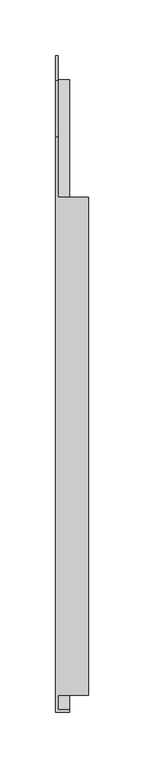
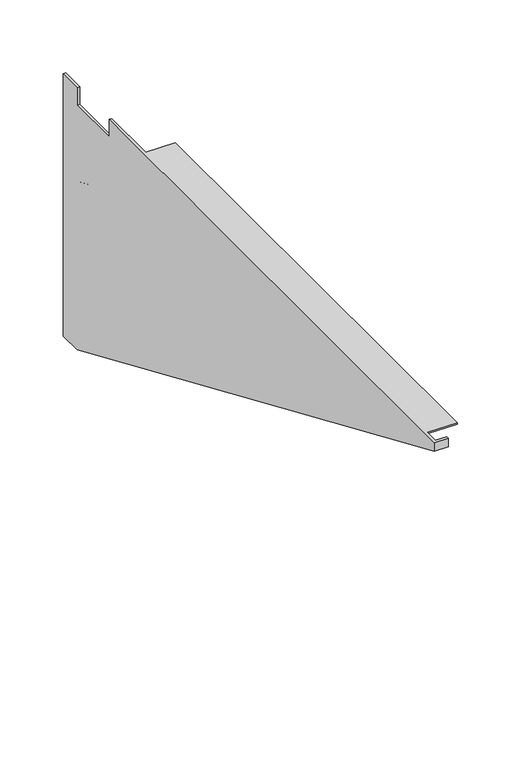
"""IFC4 building model written with IfcOpenShell, lengths in millimetres: furniture geometry."""

from ifc_helpers import new_model, si_unit, origin, place, context, project, spatial, faceted_brep, source, transform, mapped, element, save


def furniture_57008228(model_context):
    return source(origin(), model_context, "Body", "Brep", [
        faceted_brep([(23.1139999, 211.9808613, 706.4121), (-4.07162, 211.9808613, 706.4121), (-4.07162, 265.9558598, 706.4121), (-6.3539688, 265.9558598, 706.4121), (-6.3539688, -250.0807006, 706.4121), (6.3460312, -250.0807006, 706.4121), (6.3460312, -247.8023206, 706.4121), (-4.07162, -247.8023206, 706.4121), (-4.07162, -235.0589776, 706.4121), (23.1139999, -235.0589776, 706.4121), (23.1139999, -235.0589776, 704.8881015), (-4.07162, -235.0589776, 704.8881015), (-4.07162, 211.9808613, 704.8881015), (23.1139999, 211.9808613, 704.8881015), (-6.35, 265.9558598, 689.4456937), (-6.35, 316.7558601, 689.4456937), (-6.35, 316.7558601, 706.4121), (-6.35, 338.9808594, 706.4121), (-6.35, 338.9808594, 452.4121), (-6.35, 316.7558601, 452.4121), (-6.35, -250.0807006, 697.8209238), (-4.07162, -247.8023206, 699.3172569), (-4.07162, 317.6610766, 454.5029368), (-4.07162, 316.7558601, 452.4121), (-4.07162, 338.9808594, 452.4121), (-4.07162, 338.9808594, 706.4121), (-4.07162, 316.7558601, 706.4121), (-4.07162, 316.7558601, 689.4456937), (-4.07162, 265.9558598, 689.4456937), (6.3460312, -247.8023206, 699.3172569), (6.3460312, 317.6610766, 454.5029368), (6.3460312, -250.0807006, 697.8209238), (6.3460312, 316.7558601, 452.4121)], [[[0, 1, 2, 3, 4, 5, 6, 7, 8, 9]], [[10, 11, 12, 13]], [[13, 12, 1, 0]], [[9, 10, 13, 0]], [[9, 8, 11, 10]], [[3, 14, 15, 16, 17, 18, 19, 20, 4]], [[2, 1, 12, 11, 8, 7, 21, 22, 23, 24, 25, 26, 27, 28]], [[28, 14, 3, 2]], [[27, 15, 14, 28]], [[26, 16, 15, 27]], [[25, 17, 16, 26]], [[24, 18, 17, 25]], [[23, 19, 18, 24]], [[29, 30, 22, 21]], [[6, 29, 21, 7]], [[31, 20, 19, 23, 32]], [[4, 20, 31, 5]], [[23, 22, 30, 32]], [[5, 31, 32, 30, 29, 6]]]),
        faceted_brep([(-4.07162, 265.9558598, 706.4121), (-4.07162, 211.9808613, 706.4121), (-4.07162, 211.9808613, 704.8881015), (-4.07162, -235.0589776, 704.8881015), (-4.07162, -235.0589776, 706.4121), (-4.07162, -247.8023206, 706.4121), (-4.07162, -247.8023206, 699.3172569), (-4.07162, 317.6610766, 454.5029368), (-4.07162, 316.7558601, 452.4121), (-4.07162, 338.9808594, 452.4121), (-4.07162, 338.9808594, 706.4121), (-4.07162, 316.7558601, 706.4121), (-4.07162, 316.7558601, 689.4456937), (-4.07162, 265.9558598, 689.4456937), (-4.07162, 316.7558601, 501.1246491), (-4.07162, 316.7558601, 488.9326491), (-4.07162, -146.382029, 689.4456937), (-4.07162, -118.2213816, 689.4456937), (-4.07162, 316.7558601, 564.6273317), (-4.07162, 316.7558601, 552.4353317), (-4.07162, 0.2942056, 689.4456937), (-4.07162, 28.454853, 689.4456937), (-4.07162, 316.7558601, 628.1300143), (-4.07162, 316.7558601, 615.9380143), (-4.07162, 146.9704402, 689.4456937), (-4.07162, 175.1310876, 689.4456937), (-6.3539688, -250.0807006, 706.4121), (-6.3539688, 265.9558598, 706.4121), (-6.3539688, 265.9558598, 689.4456937), (-6.3539688, 316.7558601, 689.4456937), (-6.3539688, 316.7558601, 706.4121), (-6.3539688, 338.9808594, 706.4121), (-6.3539688, 338.9808594, 452.4121), (-6.3539688, 316.7558601, 452.4121), (-6.3539688, -250.0807006, 697.8209238), (-6.3539688, -118.2213816, 689.4456937), (-6.3539688, -146.382029, 689.4456937), (-6.3539688, 316.7558601, 488.9326491), (-6.3539688, 316.7558601, 501.1246491), (-6.3539688, 28.454853, 689.4456937), (-6.3539688, 0.2942056, 689.4456937), (-6.3539688, 316.7558601, 552.4353317), (-6.3539688, 316.7558601, 564.6273317), (-6.3539688, 175.1310876, 689.4456937), (-6.3539688, 146.9704402, 689.4456937), (-6.3539688, 316.7558601, 615.9380143), (-6.3539688, 316.7558601, 628.1300143), (6.3460312, 316.7558601, 452.4121), (6.3460312, -250.0807006, 697.8209238), (6.3460312, -250.0807006, 706.4121), (6.3460312, -247.8023206, 706.4121), (23.1139999, -235.0589776, 706.4121), (23.1139999, 211.9808613, 706.4121), (23.1139999, -235.0589776, 704.8881015), (23.1139999, 211.9808613, 704.8881015), (6.3460312, -247.8023206, 699.3172569), (6.3460312, 317.6610766, 454.5029368), (-4.86537, -118.2213816, 689.4456937), (-4.86537, -146.382029, 689.4456937), (-4.86537, 316.7558601, 488.9326491), (-4.86537, 316.7558601, 501.1246491), (-4.86537, 28.454853, 689.4456937), (-4.86537, 0.2942056, 689.4456937), (-4.86537, 316.7558601, 552.4353317), (-4.86537, 316.7558601, 564.6273317), (-4.86537, 175.1310876, 689.4456937), (-4.86537, 146.9704402, 689.4456937), (-4.86537, 316.7558601, 615.9380143), (-4.86537, 316.7558601, 628.1300143), (-5.55625, -118.2213816, 689.4456937), (-5.55625, 316.7558601, 501.1246491), (-5.55625, 316.7558601, 488.9326491), (-5.55625, -146.382029, 689.4456937), (-5.55625, 28.454853, 689.4456937), (-5.55625, 316.7558601, 564.6273317), (-5.55625, 316.7558601, 552.4353317), (-5.55625, 0.2942056, 689.4456937), (-5.55625, 175.1310876, 689.4456937), (-5.55625, 316.7558601, 628.1300143), (-5.55625, 316.7558601, 615.9380143), (-5.55625, 146.9704402, 689.4456937)], [[[0, 1, 2, 3, 4, 5, 6, 7, 8, 9, 10, 11, 12, 13], [14, 15, 16, 17], [18, 19, 20, 21], [22, 23, 24, 25]], [[26, 27, 28, 29, 30, 31, 32, 33, 34], [35, 36, 37, 38], [39, 40, 41, 42], [43, 44, 45, 46]], [[13, 28, 27, 0]], [[12, 29, 28, 13]], [[11, 30, 29, 12]], [[10, 31, 30, 11]], [[9, 32, 31, 10]], [[8, 33, 32, 9]], [[33, 8, 47, 48, 34]], [[27, 26, 49, 50, 5, 4, 51, 52, 1, 0]], [[53, 3, 2, 54]], [[54, 2, 1, 52]], [[54, 52, 51, 53]], [[51, 4, 3, 53]], [[34, 48, 49, 26]], [[55, 56, 7, 6]], [[50, 55, 6, 5]], [[57, 58, 59, 60]], [[61, 62, 63, 64]], [[65, 66, 67, 68]], [[60, 14, 17, 57]], [[59, 15, 14, 60]], [[58, 16, 15, 59]], [[57, 17, 16, 58]], [[64, 18, 21, 61]], [[63, 19, 18, 64]], [[62, 20, 19, 63]], [[61, 21, 20, 62]], [[68, 22, 25, 65]], [[67, 23, 22, 68]], [[66, 24, 23, 67]], [[65, 25, 24, 66]], [[69, 70, 71, 72]], [[73, 74, 75, 76]], [[77, 78, 79, 80]], [[69, 35, 38, 70]], [[70, 38, 37, 71]], [[71, 37, 36, 72]], [[72, 36, 35, 69]], [[73, 39, 42, 74]], [[74, 42, 41, 75]], [[75, 41, 40, 76]], [[76, 40, 39, 73]], [[77, 43, 46, 78]], [[78, 46, 45, 79]], [[79, 45, 44, 80]], [[80, 44, 43, 77]], [[8, 7, 56, 47]], [[49, 48, 47, 56, 55, 50]]]),
    ])


if __name__ == "__main__":
    model = new_model("IFC4")
    model_context = context("Model", 3, world=origin())
    ifc_project = project(units=[si_unit("LENGTHUNIT", "METRE", prefix="MILLI")], contexts=[model_context])
    site = spatial("IfcSite", under=ifc_project)
    building = spatial("IfcBuilding", under=site)
    placement = place(None, origin())
    furniture_shape = furniture_57008228(model_context)
    element("IfcFurniture", 1, at=placement, inside=building, context=model_context, shape_type="MappedRepresentation", body=[
        mapped(furniture_shape, transform((0.0, 0.0, 0.0), x_axis=(1.0, 0.0, 0.0), y_axis=(0.0, 1.0, 0.0), z_axis=(0.0, 0.0, 1.0))),
    ])
    save(model, "model.ifc")
